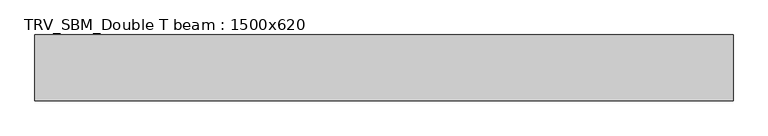
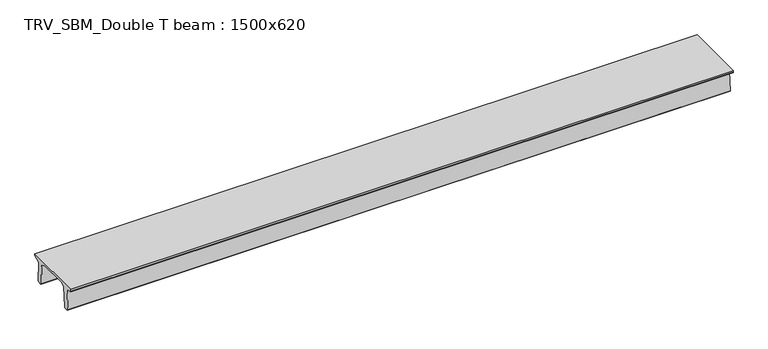
"""IFC4 building model written with IfcOpenShell, lengths in millimetres: beam geometry, TRV_SBM_Double T beam : 1500x620."""

from ifc_helpers import new_model, si_unit, frame, origin, place, context, project, spatial, polyline, outline, extrude, source, transform, mapped, element, save


def trv_sbm_double_t_beam_1500x620_1ebae821(model_context):
    return source(origin(), model_context, "Body", "SweptSolid", [
        extrude(outline(polyline([(-765.0, 215.0), (-765.0, 260.0), (735.0, 260.0), (735.0, 215.0), (728.2094488, 201.315559), (578.0626443, 140.6523122), (594.8277662, -339.4379646), (574.2657308, -360.0), (484.2657308, -360.0), (464.786332, -340.5206011), (447.8600761, 144.18395), (338.3237744, 210.0), (-367.4555014, 210.0), (-476.5389732, 151.9992892), (-507.0080378, -339.3850967), (-527.622941, -360.0), (-615.122941, -360.0), (-637.1143055, -338.0086356), (-606.1572167, 162.687806), (-761.3068466, 204.260024), (-765.0, 215.0)])), frame((-7962.5, 0.0, 0.0), z_axis=(1.0, 0.0, 0.0), x_axis=(0.0, 1.0, 0.0)), (0.0, 0.0, 1.0), 15925.0),
    ])


if __name__ == "__main__":
    model = new_model("IFC4")
    model_context = context("Model", 3, world=origin())
    ifc_project = project(units=[si_unit("LENGTHUNIT", "METRE", prefix="MILLI")], contexts=[model_context])
    site = spatial("IfcSite", under=ifc_project)
    building = spatial("IfcBuilding", under=site)
    placement = place(None, origin())
    trv_sbm_double_t_beam_1500x620_shape = trv_sbm_double_t_beam_1500x620_1ebae821(model_context)
    element("IfcBeam", 1, ObjectType="TRV_SBM_Double T beam : 1500x620", at=placement, inside=building, context=model_context, shape_type="MappedRepresentation", body=[
        mapped(trv_sbm_double_t_beam_1500x620_shape, transform((0.0, 0.0, 0.0), x_axis=(1.0, 0.0, 0.0), y_axis=(0.0, 1.0, 0.0), z_axis=(0.0, 0.0, 1.0))),
    ])
    save(model, "model.ifc")
